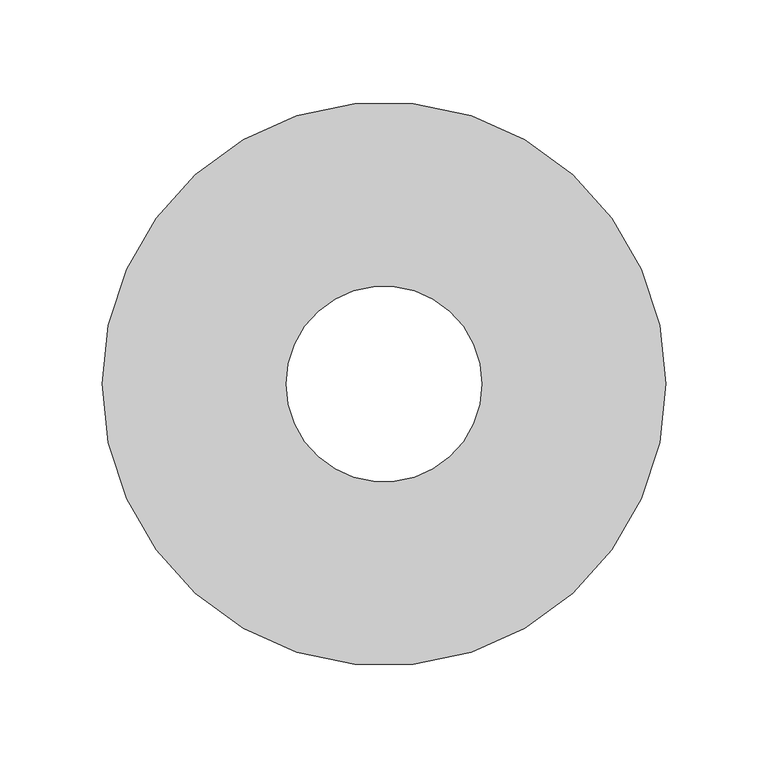
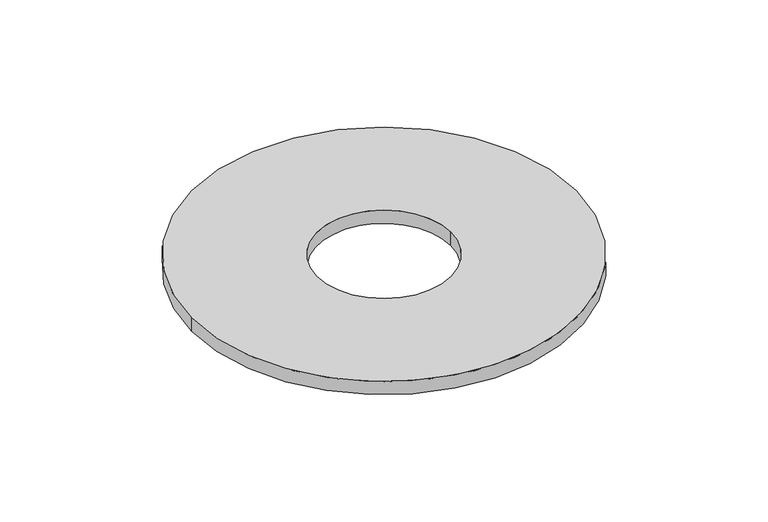
"""IFC4 building model written with IfcOpenShell, lengths in millimetres: furniture geometry."""

from ifc_helpers import new_model, si_unit, point, origin, origin_with_axes, origin_2d, place, context, project, spatial, circle_curve, trimmed, segment, composite_curve, outline, extrude, source, transform, mapped, element, save


def furniture_56a8e061(model_context):
    return source(origin(), model_context, "Body", "SweptSolid", [
        extrude(outline(composite_curve([segment(trimmed(circle_curve(origin_2d(), 137.877872), [point((-137.877872, 0.0))], [point((137.877872, 0.0))], False, "CARTESIAN"), True, "CONTINUOUS"), segment(trimmed(circle_curve(origin_2d(), 137.877872), [point((137.877872, 0.0))], [point((-137.877872, 0.0))], False, "CARTESIAN"), True, "CONTINUOUS")], self_intersect=False), holes=[composite_curve([segment(trimmed(circle_curve(origin_2d(), 47.877872), [point((47.877872, 0.0))], [point((-47.877872, 0.0))], True, "CARTESIAN"), True, "CONTINUOUS"), segment(trimmed(circle_curve(origin_2d(), 47.877872), [point((-47.877872, 0.0))], [point((47.877872, 0.0))], True, "CARTESIAN"), True, "CONTINUOUS")], self_intersect=False)]), origin_with_axes(), (0.0, 0.0, 1.0), 10.0),
    ])


if __name__ == "__main__":
    model = new_model("IFC4")
    model_context = context("Model", 3, world=origin())
    ifc_project = project(units=[si_unit("LENGTHUNIT", "METRE", prefix="MILLI")], contexts=[model_context])
    site = spatial("IfcSite", under=ifc_project)
    building = spatial("IfcBuilding", under=site)
    placement = place(None, origin())
    furniture_shape = furniture_56a8e061(model_context)
    element("IfcFurniture", 1, at=placement, inside=building, context=model_context, shape_type="MappedRepresentation", body=[
        mapped(furniture_shape, transform((0.0, 0.0, 0.0), x_axis=(1.0, 0.0, 0.0), y_axis=(0.0, 1.0, 0.0), z_axis=(0.0, 0.0, 1.0))),
    ])
    save(model, "model.ifc")
